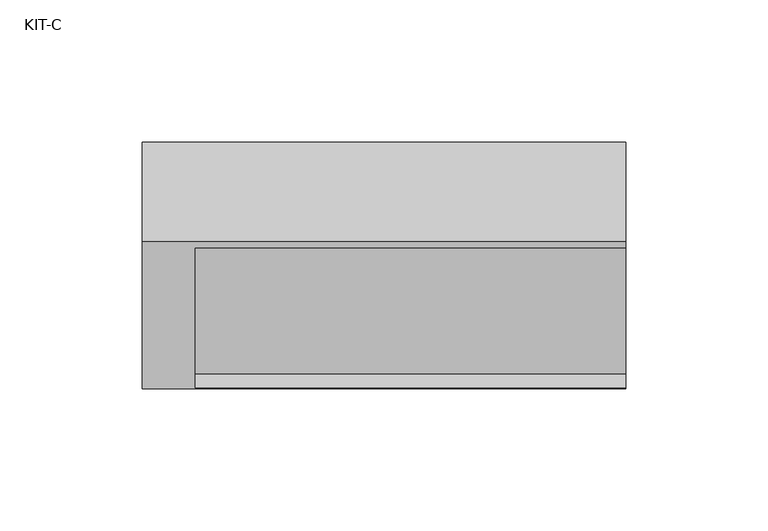
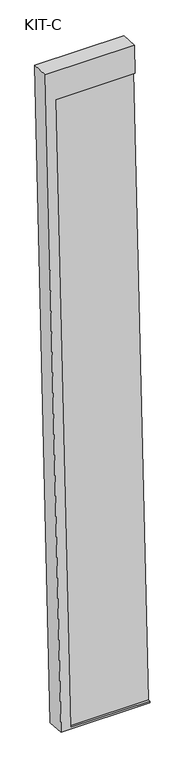
"""IFC4 building model written with IfcOpenShell, lengths in millimetres: plate geometry, KIT-C."""

from ifc_helpers import new_model, si_unit, frame, origin, place, context, project, spatial, polyline, outline, extrude, source, transform, mapped, element, save


def kit_c_2af60607(model_context):
    return source(origin(), model_context, "Body", "SweptSolid", [
        extrude(outline(polyline([(0.0, 0.0), (27.4505712, 0.0), (27.4505712, -151.5), (0.0, -151.5), (0.0, 0.0)])), frame((-149.5, -68.9260812, -49.4638085), z_axis=(0.0, 0.03973683410233642, 0.9992101801000245), x_axis=(0.0, 0.9992101801000245, -0.03973683410233642)), (0.0, 0.0, 1.0), 1236.5315929),
        extrude(outline(polyline([(-1295.0000001, 0.0), (0.0, 0.0), (0.0, -170.0), (-55.0, -170.0), (-55.0, -18.5), (-1291.531593, -18.5), (-1291.531593, -170.0), (-1295.0000001, -170.0), (-1295.0000001, 0.0)])), frame((-168.0, 12.3716008, 1239.8556021), z_axis=(0.0, -0.9992101801000247, 0.03973683410233422), x_axis=(0.0, 0.03973683410233422, 0.9992101801000247)), (0.0, 0.0, 1.0), 35.0),
    ])


if __name__ == "__main__":
    model = new_model("IFC4")
    model_context = context("Model", 3, world=origin())
    ifc_project = project(units=[si_unit("LENGTHUNIT", "METRE", prefix="MILLI")], contexts=[model_context])
    site = spatial("IfcSite", under=ifc_project)
    building = spatial("IfcBuilding", under=site)
    placement = place(None, origin())
    kit_c_shape = kit_c_2af60607(model_context)
    element("IfcPlate", 1, ObjectType="KIT-C", at=placement, inside=building, context=model_context, shape_type="MappedRepresentation", body=[
        mapped(kit_c_shape, transform((0.0, 0.0, 0.0), x_axis=(1.0, 0.0, 0.0), y_axis=(0.0, 1.0, 0.0), z_axis=(0.0, 0.0, 1.0))),
    ])
    save(model, "model.ifc")
